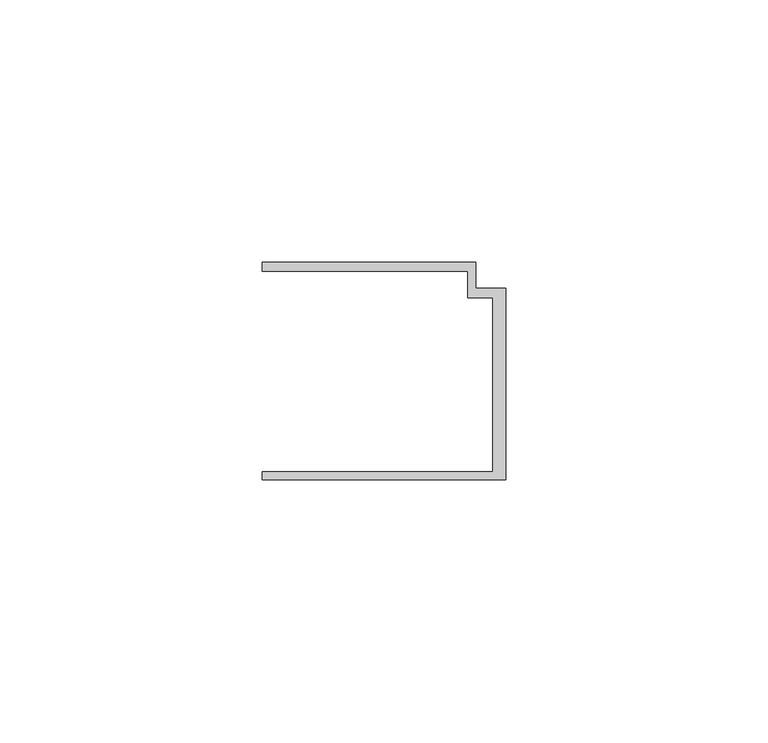
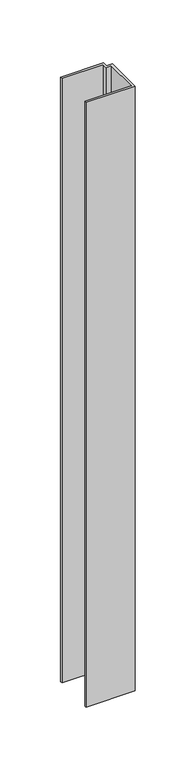
"""IFC4 building model written with IfcOpenShell, lengths in millimetres: member geometry."""

from ifc_helpers import new_model, si_unit, frame, origin, place, context, project, spatial, polyline, outline, extrude, source, transform, mapped, element, save


def member_8aa2165d(model_context):
    return source(origin(), model_context, "Body", "SweptSolid", [
        extrude(outline(polyline([(-46.3, -19.2), (-2.4, -19.2), (-2.4, 14.0), (-7.2, 14.0), (-7.2, 19.0), (-46.3, 19.0), (-46.3, 20.7), (-5.6999992, 20.7), (-5.6999992, 15.8), (0.0, 15.8), (0.0, -20.7), (-46.3, -20.7), (-46.3, -19.2)])), frame((0.0, 0.0, -605.3649907), z_axis=(0.0, 0.0, 1.0), x_axis=(1.0, 0.0, 0.0)), (0.0, 0.0, 1.0), 605.3649907),
    ])


if __name__ == "__main__":
    model = new_model("IFC4")
    model_context = context("Model", 3, world=origin())
    ifc_project = project(units=[si_unit("LENGTHUNIT", "METRE", prefix="MILLI")], contexts=[model_context])
    site = spatial("IfcSite", under=ifc_project)
    building = spatial("IfcBuilding", under=site)
    placement = place(None, origin())
    member_shape = member_8aa2165d(model_context)
    element("IfcMember", 1, at=placement, inside=building, context=model_context, shape_type="MappedRepresentation", body=[
        mapped(member_shape, transform((0.0, 0.0, 0.0), x_axis=(1.0, 0.0, 0.0), y_axis=(0.0, 1.0, 0.0), z_axis=(0.0, 0.0, 1.0))),
    ])
    save(model, "model.ifc")
